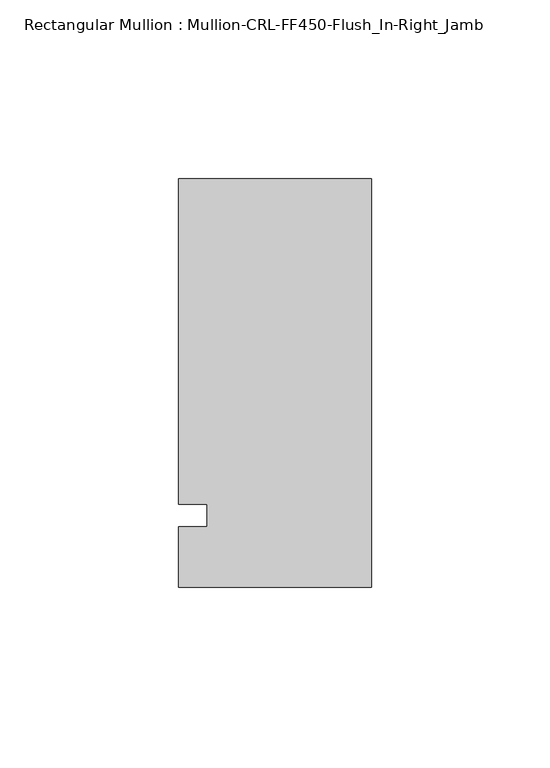
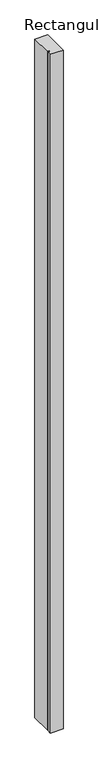
"""IFC4 building model written with IfcOpenShell, lengths in millimetres: member geometry, Rectangular Mullion : Mullion-CRL-FF450-Flush_In-Right_Jamb."""

import ifcopenshell
import ifcopenshell.guid

model = None  # the IFC model being written
_history = None  # IfcOwnerHistory: only IFC2X3 demands one
_inside = {}  # id of a spatial element -> (the spatial element, [elements in it])
_under = {}  # id of a project, library or spatial element -> (it, [spatial elements below it])
_declared = {}  # id of a project -> (the project, [libraries it declares])
_typed = {}  # id of a type object -> (the type object, [elements of that type])
_made_of = {}  # id of a material, layer set ... -> (it, [elements and type objects made of it])


def new_model(schema):
    """Start an empty IFC model of exactly this schema.

    Asked for "IFC4X3", IfcOpenShell would pick the latest addendum, in which some entities
    have other attributes; the version numbers below select the first issue.
    IFC2X3 requires an IfcOwnerHistory on every rooted entity: one is made here for all.
    """
    global model, _history
    if schema == "IFC4X3":
        model = ifcopenshell.file(schema_version=(4, 3, 0, 0))
    else:
        model = ifcopenshell.file(schema=schema)
    _inside.clear()
    _under.clear()
    _declared.clear()
    _typed.clear()
    _made_of.clear()
    _history = None
    if model.schema == "IFC2X3":
        org = make("IfcOrganization", Name="unknown")
        user = make(
            "IfcPersonAndOrganization",
            ThePerson=make("IfcPerson", FamilyName="unknown"),
            TheOrganization=org,
        )
        app = make(
            "IfcApplication",
            ApplicationDeveloper=org,
            Version="unknown",
            ApplicationFullName="unknown",
            ApplicationIdentifier="unknown",
        )
        _history = make(
            "IfcOwnerHistory",
            OwningUser=user,
            OwningApplication=app,
            ChangeAction="ADDED",
            CreationDate=0,
        )
    return model


def make(cls, **values):
    """One entity of the class cls with the attributes given. An attribute that is None is left unset."""
    return model.create_entity(
        cls, **{name: value for name, value in values.items() if value is not None}
    )


def rooted(cls, **values):
    """An entity with a GlobalId (a new one), such as an element, a storey or a relation."""
    return make(cls, GlobalId=ifcopenshell.guid.new(), OwnerHistory=_history, **values)


def si_unit(unit_type, name, prefix=None):
    """IfcSIUnit, for example si_unit("LENGTHUNIT", "METRE", prefix="MILLI")."""
    return make("IfcSIUnit", UnitType=unit_type, Prefix=prefix, Name=name)


def assignment(units):
    """IfcUnitAssignment: the units of a project."""
    return None if units is None else make("IfcUnitAssignment", Units=units)


def point(xyz):
    """IfcCartesianPoint."""
    return None if xyz is None else make("IfcCartesianPoint", Coordinates=xyz)


def direction(xyz):
    """IfcDirection."""
    return None if xyz is None else make("IfcDirection", DirectionRatios=xyz)


def frame(location, z_axis=None, x_axis=None):
    """IfcAxis2Placement3D, a coordinate frame: its origin and axes. An axis left out is left unset."""
    return make(
        "IfcAxis2Placement3D",
        Location=point(location),
        Axis=direction(z_axis),
        RefDirection=direction(x_axis),
    )


def origin():
    """The frame at (0, 0, 0) with its axes left unset."""
    return frame((0.0, 0.0, 0.0))


def place(relative_to, where):
    """IfcLocalPlacement: puts the frame where relative to a parent placement (None: the world)."""
    return make(
        "IfcLocalPlacement", PlacementRelTo=relative_to, RelativePlacement=where
    )


def context(
    kind, dimensions, precision=None, world=None, true_north=None, identifier=None
):
    """IfcGeometricRepresentationContext, for example the 3D "Model" context."""
    return make(
        "IfcGeometricRepresentationContext",
        ContextIdentifier=identifier,
        ContextType=kind,
        CoordinateSpaceDimension=dimensions,
        Precision=precision,
        WorldCoordinateSystem=world,
        TrueNorth=true_north,
    )


def project(units=None, contexts=None):
    """IfcProject with its units and contexts."""
    return rooted(
        "IfcProject",
        Name="project",
        RepresentationContexts=contexts,
        UnitsInContext=assignment(units),
    )


def spatial(cls, under=None, at=None, **own):
    """A site, building, storey or space (cls), placed at a placement, below another one or the project."""
    s = rooted(cls, ObjectPlacement=at, **own)
    if under is not None:
        _under.setdefault(under.id(), (under, []))[1].append(s)
    return s


def polyline(points):
    """IfcPolyline through the points."""
    return make("IfcPolyline", Points=[point(p) for p in points])


def outline(outer, holes=None, kind="AREA"):
    """IfcArbitraryClosedProfileDef: a profile drawn as a closed curve; with holes, ...WithVoids."""
    if holes is None:
        return make("IfcArbitraryClosedProfileDef", ProfileType=kind, OuterCurve=outer)
    return make(
        "IfcArbitraryProfileDefWithVoids",
        ProfileType=kind,
        OuterCurve=outer,
        InnerCurves=holes,
    )


def extrude(swept, where, along, depth):
    """IfcExtrudedAreaSolid: the profile swept, set in the frame where, extruded along a direction by depth."""
    return make(
        "IfcExtrudedAreaSolid",
        SweptArea=swept,
        Position=where,
        ExtrudedDirection=direction(along),
        Depth=depth,
    )


def shape(context_of_items, identifier, shape_type, items):
    """IfcShapeRepresentation: the items that make up one representation, for example the "Body"."""
    return make(
        "IfcShapeRepresentation",
        ContextOfItems=context_of_items,
        RepresentationIdentifier=identifier,
        RepresentationType=shape_type,
        Items=items,
    )


def source(mapping_origin, context_of_items, identifier, shape_type, items):
    """IfcRepresentationMap: a shape defined once, which mapped items show again and again."""
    return make(
        "IfcRepresentationMap",
        MappingOrigin=mapping_origin,
        MappedRepresentation=shape(context_of_items, identifier, shape_type, items),
    )


def transform(
    local_origin,
    x_axis=None,
    y_axis=None,
    z_axis=None,
    scale=None,
    scale2=None,
    scale3=None,
    uniform=True,
):
    """IfcCartesianTransformationOperator3D, or its non-uniform kind. x_axis, y_axis, z_axis: its Axis1, 2, 3."""
    if uniform:
        return make(
            "IfcCartesianTransformationOperator3D",
            Axis1=direction(x_axis),
            Axis2=direction(y_axis),
            LocalOrigin=point(local_origin),
            Scale=scale,
            Axis3=direction(z_axis),
        )
    return make(
        "IfcCartesianTransformationOperator3DnonUniform",
        Axis1=direction(x_axis),
        Axis2=direction(y_axis),
        LocalOrigin=point(local_origin),
        Scale=scale,
        Axis3=direction(z_axis),
        Scale2=scale2,
        Scale3=scale3,
    )


def mapped(mapping_source, mapping_target):
    """IfcMappedItem: shows the shape of a source again, moved by a transform."""
    return make(
        "IfcMappedItem", MappingSource=mapping_source, MappingTarget=mapping_target
    )


def made_of(thing, what):
    """Note that an element or type object is made of a material, layer set ...; save() writes the relation."""
    if what is not None:
        _made_of.setdefault(what.id(), (what, []))[1].append(thing)
    return thing


def element(
    cls,
    number,
    at=None,
    inside=None,
    cuts=None,
    type_object=None,
    material=None,
    context=None,
    identifier="Body",
    shape_type=None,
    held_by="IfcProductDefinitionShape",
    body=None,
    shapes=None,
    **own,
):
    """One element of the class cls, such as IfcWall. Its Tag is "e" and its number.

    at: its placement. inside: the storey or other place that contains it. cuts: it is an
    opening in that element (IfcRelVoidsElement). A single representation is given by context,
    identifier, shape_type and body (its items); several are given by shapes. held_by: the class
    of the entity that holds the representations. save() writes the other relations.
    """
    e = rooted(cls, Tag="e%d" % number, ObjectPlacement=at, **own)
    if body is not None:
        shapes = [shape(context, identifier, shape_type, body)]
    if shapes is not None:
        e.Representation = make(held_by, Representations=shapes)
    if inside is not None:
        _inside.setdefault(inside.id(), (inside, []))[1].append(e)
    if cuts is not None:
        rooted(
            "IfcRelVoidsElement", RelatingBuildingElement=cuts, RelatedOpeningElement=e
        )
    if type_object is not None:
        _typed.setdefault(type_object.id(), (type_object, []))[1].append(e)
    return made_of(e, material)


def aggregate(whole, parts):
    """IfcRelAggregates: a whole, such as a stair, and the parts it consists of."""
    return rooted("IfcRelAggregates", RelatingObject=whole, RelatedObjects=parts)


def save(model, path):
    """Write the relations noted so far, then the file.

    IfcRelAggregates (storeys below a building ...), IfcRelContainedInSpatialStructure (elements
    in a storey), IfcRelDefinesByType, IfcRelAssociatesMaterial and IfcRelDeclares: one each for
    every whole, place, type object, material and project.
    """
    for whole, parts in _under.values():
        aggregate(whole, parts)
    for where, things in _inside.values():
        rooted(
            "IfcRelContainedInSpatialStructure",
            RelatedElements=things,
            RelatingStructure=where,
        )
    for kind, things in _typed.values():
        rooted("IfcRelDefinesByType", RelatedObjects=things, RelatingType=kind)
    for what, things in _made_of.values():
        rooted("IfcRelAssociatesMaterial", RelatedObjects=things, RelatingMaterial=what)
    for by, libraries in _declared.values():
        rooted("IfcRelDeclares", RelatingContext=by, RelatedDefinitions=libraries)
    model.write(path)


def rectangular_mullion_mullion_crl_ff450_flush_in_right_jamb_576e3cb1(model_context):
    return source(origin(), model_context, "Body", "SweptSolid", [
        extrude(outline(polyline([(-53.9750401, 94.1823538), (0.0, 94.1823538), (0.0, -20.1176462), (-53.9750401, -20.1176462), (-53.9750401, -3.1555912), (-46.0375401, -3.1555912), (-46.0375401, 3.1944088), (-53.9750401, 3.1944088), (-53.9750401, 94.1823538)])), frame((0.0, 0.0, -3057.433147), z_axis=(0.0, 0.0, 1.0), x_axis=(1.0, 0.0, 0.0)), (0.0, 0.0, 1.0), 3057.433147),
    ])


if __name__ == "__main__":
    model = new_model("IFC4")
    model_context = context("Model", 3, world=origin())
    ifc_project = project(units=[si_unit("LENGTHUNIT", "METRE", prefix="MILLI")], contexts=[model_context])
    site = spatial("IfcSite", under=ifc_project)
    building = spatial("IfcBuilding", under=site)
    placement = place(None, origin())
    rectangular_mullion_mullion_crl_ff450_flush_in_right_jamb_shape = rectangular_mullion_mullion_crl_ff450_flush_in_right_jamb_576e3cb1(model_context)
    element("IfcMember", 1, ObjectType="Rectangular Mullion : Mullion-CRL-FF450-Flush_In-Right_Jamb", at=placement, inside=building, context=model_context, shape_type="MappedRepresentation", body=[
        mapped(rectangular_mullion_mullion_crl_ff450_flush_in_right_jamb_shape, transform((0.0, 0.0, 0.0), x_axis=(1.0, 0.0, 0.0), y_axis=(0.0, 1.0, 0.0), z_axis=(0.0, 0.0, 1.0))),
    ])
    save(model, "model.ifc")
